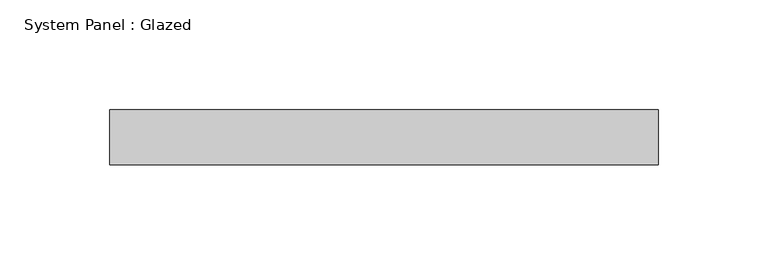
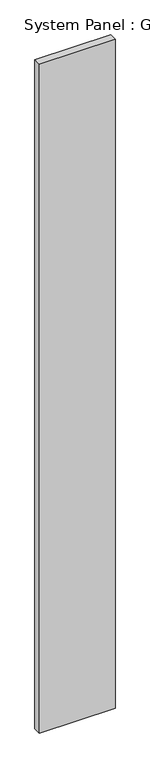
"""IFC4 building model written with IfcOpenShell, lengths in millimetres: plate geometry, System Panel : Glazed."""

from ifc_helpers import new_model, si_unit, origin, origin_with_axes, place, context, project, spatial, polyline, outline, extrude, source, transform, mapped, element, save


def system_panel_glazed_fec42a91(model_context):
    return source(origin(), model_context, "Body", "SweptSolid", [
        extrude(outline(polyline([(124.5771004, -49.5), (-124.5771004, -49.5), (-124.5771004, -24.5), (124.5771004, -24.5), (124.5771004, -49.5)])), origin_with_axes(), (0.0, 0.0, 1.0), 2325.0),
    ])


if __name__ == "__main__":
    model = new_model("IFC4")
    model_context = context("Model", 3, world=origin())
    ifc_project = project(units=[si_unit("LENGTHUNIT", "METRE", prefix="MILLI")], contexts=[model_context])
    site = spatial("IfcSite", under=ifc_project)
    building = spatial("IfcBuilding", under=site)
    placement = place(None, origin())
    system_panel_glazed_shape = system_panel_glazed_fec42a91(model_context)
    element("IfcPlate", 1, ObjectType="System Panel : Glazed", at=placement, inside=building, context=model_context, shape_type="MappedRepresentation", body=[
        mapped(system_panel_glazed_shape, transform((0.0, 0.0, 0.0), x_axis=(1.0, 0.0, 0.0), y_axis=(0.0, 1.0, 0.0), z_axis=(0.0, 0.0, 1.0))),
    ])
    save(model, "model.ifc")
